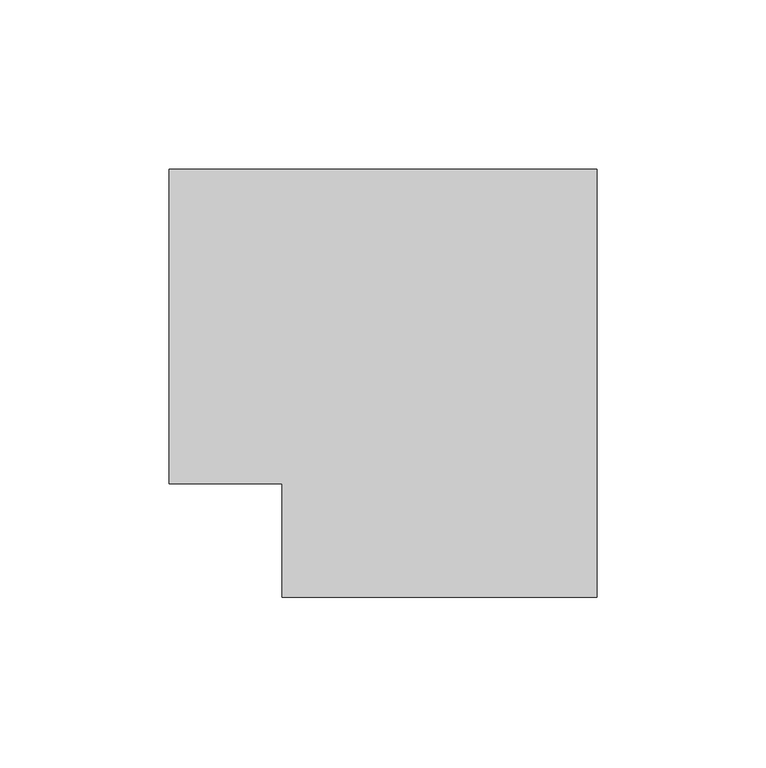
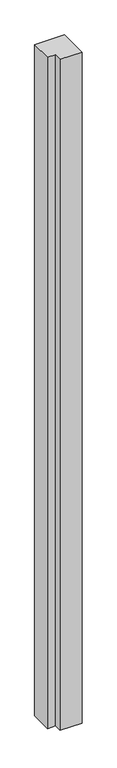
"""IFC4 building model written with IfcOpenShell, lengths in millimetres: member geometry."""

from ifc_helpers import new_model, si_unit, frame, origin, place, context, project, spatial, polyline, outline, extrude, source, transform, mapped, element, save


def member_facffaa3(model_context):
    return source(origin(), model_context, "Body", "SweptSolid", [
        extrude(outline(polyline([(-46.5, -80.0), (-46.5, -46.5), (-80.0, -46.5), (-80.0, 46.5), (46.5, 46.5), (46.5, -80.0), (-46.5, -80.0)])), frame((0.0, 0.0, -3000.0), z_axis=(0.0, 0.0, 1.0), x_axis=(1.0, 0.0, 0.0)), (0.0, 0.0, 1.0), 3000.0),
    ])


if __name__ == "__main__":
    model = new_model("IFC4")
    model_context = context("Model", 3, world=origin())
    ifc_project = project(units=[si_unit("LENGTHUNIT", "METRE", prefix="MILLI")], contexts=[model_context])
    site = spatial("IfcSite", under=ifc_project)
    building = spatial("IfcBuilding", under=site)
    placement = place(None, origin())
    member_shape = member_facffaa3(model_context)
    element("IfcMember", 1, at=placement, inside=building, context=model_context, shape_type="MappedRepresentation", body=[
        mapped(member_shape, transform((0.0, 0.0, 0.0), x_axis=(1.0, 0.0, 0.0), y_axis=(0.0, 1.0, 0.0), z_axis=(0.0, 0.0, 1.0))),
    ])
    save(model, "model.ifc")
